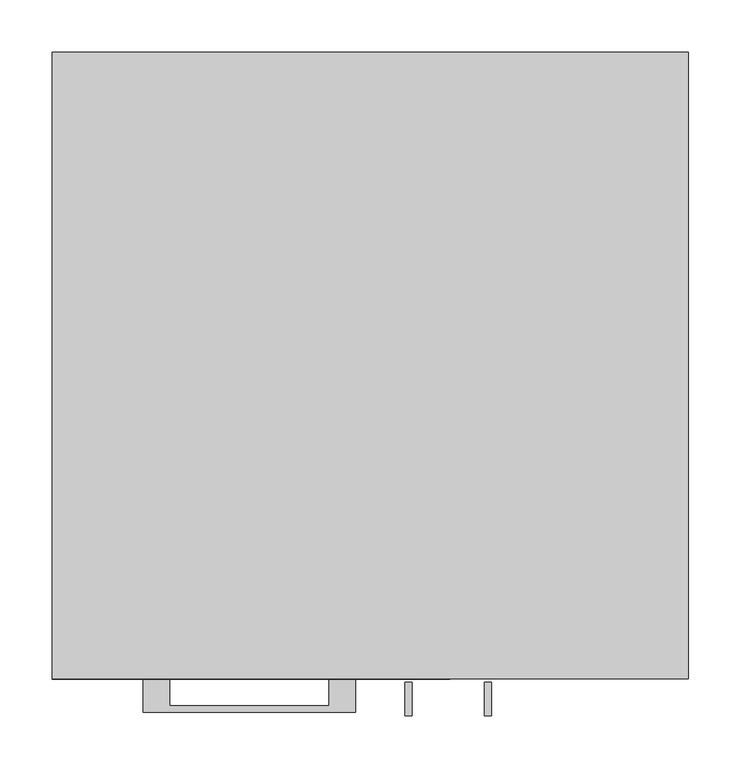
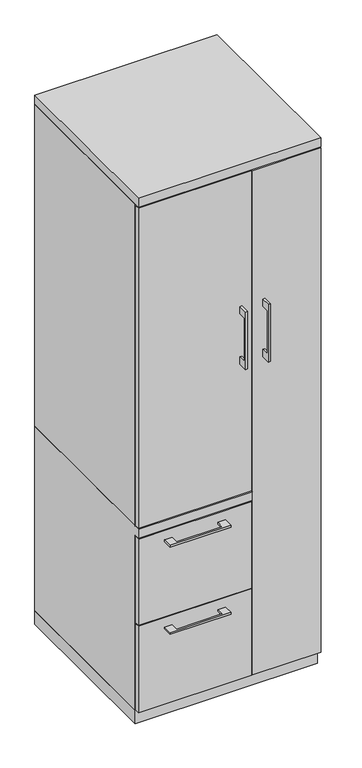
"""IFC4 building model written with IfcOpenShell, lengths in millimetres: furniture geometry."""

from ifc_helpers import new_model, si_unit, frame, origin, origin_with_axes, place, context, project, spatial, polyline, outline, extrude, faceted_brep, source, transform, mapped, element, save


def furniture_3bbf6a34(model_context):
    return source(origin(), model_context, "Body", "SolidModel", [
        extrude(outline(polyline([(-603.25, 1343.025), (-628.6499758, 1343.025), (-628.6499758, 1190.625), (-603.25, 1190.625), (-603.25, 1165.225), (-634.9999879, 1165.225), (-634.9999879, 1368.425), (-603.25, 1368.425), (-603.25, 1343.025)])), frame((33.3375121, 0.0, 0.0), z_axis=(1.0, 0.0, 0.0), x_axis=(0.0, 1.0, 0.0)), (0.0, 0.0, 1.0), 6.3499758),
        extrude(outline(polyline([(-304.8, -600.075), (-304.8, -581.025), (73.025, -581.025), (73.025, -600.075), (-304.8, -600.075)])), frame((0.0, 0.0, 701.675), z_axis=(0.0, 0.0, 1.0), x_axis=(1.0, 0.0, 0.0)), (0.0, 0.0, 1.0), 1130.3),
        extrude(outline(polyline([(-192.0874818, -600.075), (-192.0874818, -625.4749758), (-39.6875, -625.4749758), (-39.6875, -600.075), (-14.2875061, -600.075), (-14.2875061, -631.8249879), (-217.4874939, -631.8249879), (-217.4874939, -600.075), (-192.0874818, -600.075)])), frame((0.0, 0.0, 623.8875506), z_axis=(0.0, 0.0, 1.0), x_axis=(1.0, 0.0, 0.0)), (0.0, 0.0, 1.0), 6.3499758),
        extrude(outline(polyline([(73.025, -581.025), (73.025, -600.075), (-304.8, -600.075), (-304.8, -581.025), (73.025, -581.025)])), frame((0.0, 0.0, 358.775), z_axis=(0.0, 0.0, 1.0), x_axis=(1.0, 0.0, 0.0)), (0.0, 0.0, 1.0), 304.8),
        extrude(outline(polyline([(-603.25, 1343.025), (-628.6499758, 1343.025), (-628.6499758, 1190.625), (-603.25, 1190.625), (-603.25, 1165.225), (-634.9999879, 1165.225), (-634.9999879, 1368.425), (-603.25, 1368.425), (-603.25, 1343.025)])), frame((109.5375121, 0.0, 0.0), z_axis=(1.0, 0.0, 0.0), x_axis=(0.0, 1.0, 0.0)), (0.0, 0.0, 1.0), 6.3499758),
        extrude(outline(polyline([(304.8, -600.075), (76.2, -600.075), (76.2, -581.025), (304.8, -581.025), (304.8, -600.075)])), frame((0.0, 0.0, 50.8), z_axis=(0.0, 0.0, 1.0), x_axis=(1.0, 0.0, 0.0)), (0.0, 0.0, 1.0), 1781.175),
        extrude(outline(polyline([(-192.0874818, -600.075), (-192.0874818, -625.4749758), (-39.6875, -625.4749758), (-39.6875, -600.075), (-14.2875061, -600.075), (-14.2875061, -631.8249879), (-217.4874939, -631.8249879), (-217.4874939, -600.075), (-192.0874818, -600.075)])), frame((0.0, 0.0, 315.9125506), z_axis=(0.0, 0.0, 1.0), x_axis=(1.0, 0.0, 0.0)), (0.0, 0.0, 1.0), 6.3499758),
        extrude(outline(polyline([(73.025, -581.025), (73.025, -600.075), (-304.8, -600.075), (-304.8, -581.025), (73.025, -581.025)])), frame((0.0, 0.0, 50.8), z_axis=(0.0, 0.0, 1.0), x_axis=(1.0, 0.0, 0.0)), (0.0, 0.0, 1.0), 304.8),
        faceted_brep([(-304.8, -581.025, 47.625), (-304.8, 0.0, 47.625), (76.2, 0.0, 47.625), (76.2, -581.025, 47.625), (-304.8, 0.0, 698.5), (76.2, 0.0, 698.5), (-304.8, -581.025, 666.75), (-304.8, -600.075, 666.75), (-304.8, -600.075, 698.5), (76.2, -581.025, 666.75), (57.15, -581.025, 666.75), (76.2, -581.025, 1835.15), (57.15, -581.025, 1835.15), (57.15, -581.025, 698.5), (76.2, -581.025, 698.5), (76.2, -19.05, 698.5), (76.2, -19.05, 1835.15), (76.2, -600.075, 698.5), (76.2, -600.075, 666.75), (57.15, -19.05, 1835.15), (57.15, -19.05, 698.5)], [[[0, 1, 2, 3]], [[2, 1, 4, 5]], [[4, 1, 0, 6, 7, 8]], [[6, 0, 3, 9, 10]], [[11, 12, 13, 14]], [[2, 5, 15, 16, 11, 14, 17, 18, 9, 3]], [[16, 19, 12, 11]], [[19, 16, 15, 20]], [[12, 19, 20, 13]], [[5, 4, 8, 17, 14, 13, 20, 15]], [[18, 7, 6, 10, 9]], [[17, 8, 7, 18]]]),
        extrude(outline(polyline([(76.2, 0.0), (76.2, -19.05), (-285.75, -19.05), (-285.75, -581.025), (-304.8, -581.025), (-304.8, 0.0), (76.2, 0.0)])), frame((0.0, 0.0, 698.5), z_axis=(0.0, 0.0, 1.0), x_axis=(1.0, 0.0, 0.0)), (0.0, 0.0, 1.0), 1136.65),
        extrude(outline(polyline([(304.8, 0.0), (304.8, -581.025), (285.75, -581.025), (285.75, -19.05), (76.2, -19.05), (76.2, 0.0), (304.8, 0.0)])), frame((0.0, 0.0, 47.625), z_axis=(0.0, 0.0, 1.0), x_axis=(1.0, 0.0, 0.0)), (0.0, 0.0, 1.0), 1787.525),
        extrude(outline(polyline([(304.8, 0.0), (304.8, -600.075), (-304.8, -600.075), (-304.8, 0.0), (304.8, 0.0)])), frame((0.0, 0.0, 1835.15), z_axis=(0.0, 0.0, 1.0), x_axis=(1.0, 0.0, 0.0)), (0.0, 0.0, 1.0), 31.75),
        extrude(outline(polyline([(304.8, 0.0), (304.8, -581.025), (-304.8, -581.025), (-304.8, 0.0), (304.8, 0.0)])), origin_with_axes(), (0.0, 0.0, 1.0), 47.625),
    ])


if __name__ == "__main__":
    model = new_model("IFC4")
    model_context = context("Model", 3, world=origin())
    ifc_project = project(units=[si_unit("LENGTHUNIT", "METRE", prefix="MILLI")], contexts=[model_context])
    site = spatial("IfcSite", under=ifc_project)
    building = spatial("IfcBuilding", under=site)
    placement = place(None, origin())
    furniture_shape = furniture_3bbf6a34(model_context)
    element("IfcFurniture", 1, at=placement, inside=building, context=model_context, shape_type="MappedRepresentation", body=[
        mapped(furniture_shape, transform((0.0, 0.0, 0.0), x_axis=(1.0, 0.0, 0.0), y_axis=(0.0, 1.0, 0.0), z_axis=(0.0, 0.0, 1.0))),
    ])
    save(model, "model.ifc")
